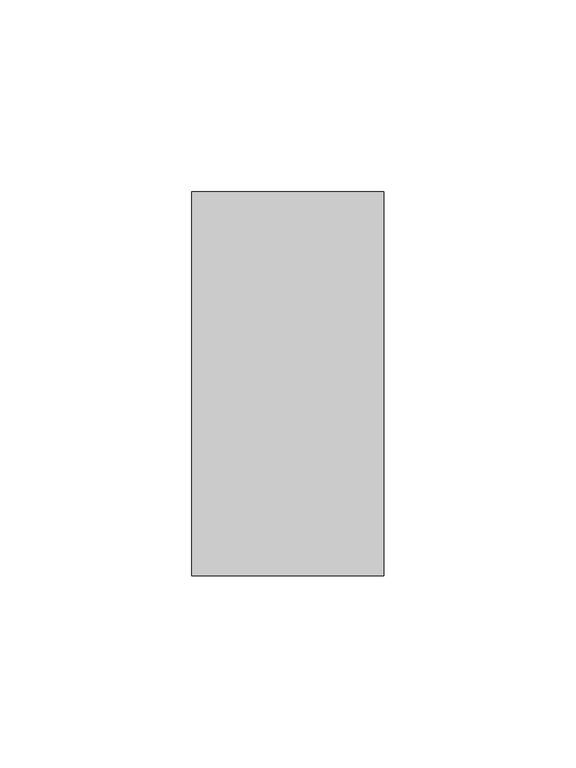
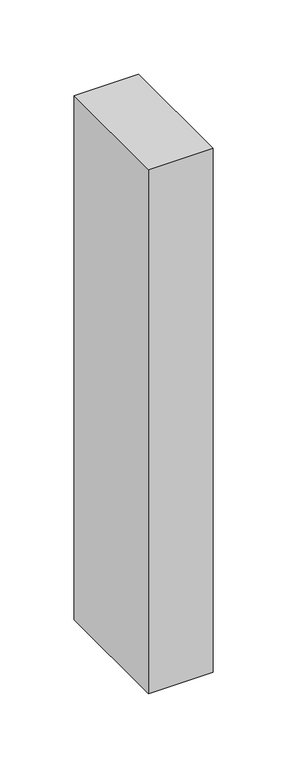
"""IFC4 building model written with IfcOpenShell, lengths in millimetres: member geometry."""

from ifc_helpers import new_model, si_unit, frame, origin, place, context, project, spatial, polyline, outline, extrude, source, transform, mapped, element, save


def member_6a57510a(model_context):
    return source(origin(), model_context, "Body", "SweptSolid", [
        extrude(outline(polyline([(25.0, 50.0), (25.0, -50.0), (-25.0, -50.0), (-25.0, 50.0), (25.0, 50.0)])), frame((0.0, 0.0, -430.1707317), z_axis=(0.0, 0.0, 1.0), x_axis=(1.0, 0.0, 0.0)), (0.0, 0.0, 1.0), 430.1707317),
    ])


if __name__ == "__main__":
    model = new_model("IFC4")
    model_context = context("Model", 3, world=origin())
    ifc_project = project(units=[si_unit("LENGTHUNIT", "METRE", prefix="MILLI")], contexts=[model_context])
    site = spatial("IfcSite", under=ifc_project)
    building = spatial("IfcBuilding", under=site)
    placement = place(None, origin())
    member_shape = member_6a57510a(model_context)
    element("IfcMember", 1, at=placement, inside=building, context=model_context, shape_type="MappedRepresentation", body=[
        mapped(member_shape, transform((0.0, 0.0, 0.0), x_axis=(1.0, 0.0, 0.0), y_axis=(0.0, 1.0, 0.0), z_axis=(0.0, 0.0, 1.0))),
    ])
    save(model, "model.ifc")
